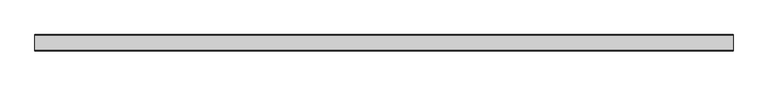
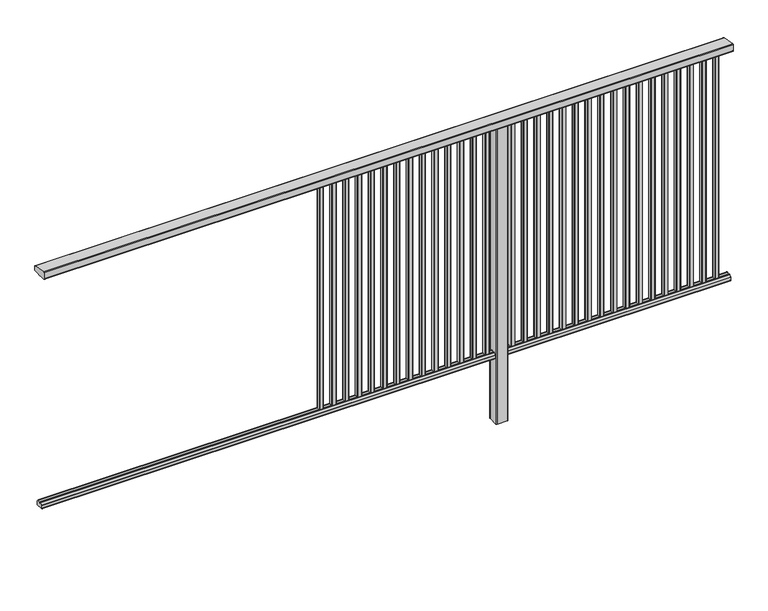
"""IFC4 building model written with IfcOpenShell, lengths in millimetres: railing geometry."""

import ifcopenshell
import ifcopenshell.guid

model = None  # the IFC model being written
_history = None  # IfcOwnerHistory: only IFC2X3 demands one
_inside = {}  # id of a spatial element -> (the spatial element, [elements in it])
_under = {}  # id of a project, library or spatial element -> (it, [spatial elements below it])
_declared = {}  # id of a project -> (the project, [libraries it declares])
_typed = {}  # id of a type object -> (the type object, [elements of that type])
_made_of = {}  # id of a material, layer set ... -> (it, [elements and type objects made of it])


def new_model(schema):
    """Start an empty IFC model of exactly this schema.

    Asked for "IFC4X3", IfcOpenShell would pick the latest addendum, in which some entities
    have other attributes; the version numbers below select the first issue.
    IFC2X3 requires an IfcOwnerHistory on every rooted entity: one is made here for all.
    """
    global model, _history
    if schema == "IFC4X3":
        model = ifcopenshell.file(schema_version=(4, 3, 0, 0))
    else:
        model = ifcopenshell.file(schema=schema)
    _inside.clear()
    _under.clear()
    _declared.clear()
    _typed.clear()
    _made_of.clear()
    _history = None
    if model.schema == "IFC2X3":
        org = make("IfcOrganization", Name="unknown")
        user = make(
            "IfcPersonAndOrganization",
            ThePerson=make("IfcPerson", FamilyName="unknown"),
            TheOrganization=org,
        )
        app = make(
            "IfcApplication",
            ApplicationDeveloper=org,
            Version="unknown",
            ApplicationFullName="unknown",
            ApplicationIdentifier="unknown",
        )
        _history = make(
            "IfcOwnerHistory",
            OwningUser=user,
            OwningApplication=app,
            ChangeAction="ADDED",
            CreationDate=0,
        )
    return model


def make(cls, **values):
    """One entity of the class cls with the attributes given. An attribute that is None is left unset."""
    return model.create_entity(
        cls, **{name: value for name, value in values.items() if value is not None}
    )


def rooted(cls, **values):
    """An entity with a GlobalId (a new one), such as an element, a storey or a relation."""
    return make(cls, GlobalId=ifcopenshell.guid.new(), OwnerHistory=_history, **values)


def si_unit(unit_type, name, prefix=None):
    """IfcSIUnit, for example si_unit("LENGTHUNIT", "METRE", prefix="MILLI")."""
    return make("IfcSIUnit", UnitType=unit_type, Prefix=prefix, Name=name)


def assignment(units):
    """IfcUnitAssignment: the units of a project."""
    return None if units is None else make("IfcUnitAssignment", Units=units)


def point(xyz):
    """IfcCartesianPoint."""
    return None if xyz is None else make("IfcCartesianPoint", Coordinates=xyz)


def direction(xyz):
    """IfcDirection."""
    return None if xyz is None else make("IfcDirection", DirectionRatios=xyz)


def frame(location, z_axis=None, x_axis=None):
    """IfcAxis2Placement3D, a coordinate frame: its origin and axes. An axis left out is left unset."""
    return make(
        "IfcAxis2Placement3D",
        Location=point(location),
        Axis=direction(z_axis),
        RefDirection=direction(x_axis),
    )


def frame_2d(location, x_axis=None):
    """IfcAxis2Placement2D, a coordinate frame in the plane: its origin and x axis."""
    return make(
        "IfcAxis2Placement2D", Location=point(location), RefDirection=direction(x_axis)
    )


def origin():
    """The frame at (0, 0, 0) with its axes left unset."""
    return frame((0.0, 0.0, 0.0))


def place(relative_to, where):
    """IfcLocalPlacement: puts the frame where relative to a parent placement (None: the world)."""
    return make(
        "IfcLocalPlacement", PlacementRelTo=relative_to, RelativePlacement=where
    )


def context(
    kind, dimensions, precision=None, world=None, true_north=None, identifier=None
):
    """IfcGeometricRepresentationContext, for example the 3D "Model" context."""
    return make(
        "IfcGeometricRepresentationContext",
        ContextIdentifier=identifier,
        ContextType=kind,
        CoordinateSpaceDimension=dimensions,
        Precision=precision,
        WorldCoordinateSystem=world,
        TrueNorth=true_north,
    )


def project(units=None, contexts=None):
    """IfcProject with its units and contexts."""
    return rooted(
        "IfcProject",
        Name="project",
        RepresentationContexts=contexts,
        UnitsInContext=assignment(units),
    )


def spatial(cls, under=None, at=None, **own):
    """A site, building, storey or space (cls), placed at a placement, below another one or the project."""
    s = rooted(cls, ObjectPlacement=at, **own)
    if under is not None:
        _under.setdefault(under.id(), (under, []))[1].append(s)
    return s


def polyline(points):
    """IfcPolyline through the points."""
    return make("IfcPolyline", Points=[point(p) for p in points])


def circle_curve(where, radius):
    """IfcCircle in the frame where."""
    return make("IfcCircle", Position=where, Radius=radius)


def trimmed(basis, trim1, trim2, sense, master):
    """IfcTrimmedCurve: the piece of a basis curve between two trims."""
    return make(
        "IfcTrimmedCurve",
        BasisCurve=basis,
        Trim1=trim1,
        Trim2=trim2,
        SenseAgreement=sense,
        MasterRepresentation=master,
    )


def segment(curve, same_sense, transition):
    """IfcCompositeCurveSegment."""
    return make(
        "IfcCompositeCurveSegment",
        Transition=transition,
        SameSense=same_sense,
        ParentCurve=curve,
    )


def composite_curve(segments, self_intersect=None):
    """IfcCompositeCurve: segments joined end to end."""
    return make("IfcCompositeCurve", Segments=segments, SelfIntersect=self_intersect)


def outline(outer, holes=None, kind="AREA"):
    """IfcArbitraryClosedProfileDef: a profile drawn as a closed curve; with holes, ...WithVoids."""
    if holes is None:
        return make("IfcArbitraryClosedProfileDef", ProfileType=kind, OuterCurve=outer)
    return make(
        "IfcArbitraryProfileDefWithVoids",
        ProfileType=kind,
        OuterCurve=outer,
        InnerCurves=holes,
    )


def extrude(swept, where, along, depth):
    """IfcExtrudedAreaSolid: the profile swept, set in the frame where, extruded along a direction by depth."""
    return make(
        "IfcExtrudedAreaSolid",
        SweptArea=swept,
        Position=where,
        ExtrudedDirection=direction(along),
        Depth=depth,
    )


def shape(context_of_items, identifier, shape_type, items):
    """IfcShapeRepresentation: the items that make up one representation, for example the "Body"."""
    return make(
        "IfcShapeRepresentation",
        ContextOfItems=context_of_items,
        RepresentationIdentifier=identifier,
        RepresentationType=shape_type,
        Items=items,
    )


def source(mapping_origin, context_of_items, identifier, shape_type, items):
    """IfcRepresentationMap: a shape defined once, which mapped items show again and again."""
    return make(
        "IfcRepresentationMap",
        MappingOrigin=mapping_origin,
        MappedRepresentation=shape(context_of_items, identifier, shape_type, items),
    )


def transform(
    local_origin,
    x_axis=None,
    y_axis=None,
    z_axis=None,
    scale=None,
    scale2=None,
    scale3=None,
    uniform=True,
):
    """IfcCartesianTransformationOperator3D, or its non-uniform kind. x_axis, y_axis, z_axis: its Axis1, 2, 3."""
    if uniform:
        return make(
            "IfcCartesianTransformationOperator3D",
            Axis1=direction(x_axis),
            Axis2=direction(y_axis),
            LocalOrigin=point(local_origin),
            Scale=scale,
            Axis3=direction(z_axis),
        )
    return make(
        "IfcCartesianTransformationOperator3DnonUniform",
        Axis1=direction(x_axis),
        Axis2=direction(y_axis),
        LocalOrigin=point(local_origin),
        Scale=scale,
        Axis3=direction(z_axis),
        Scale2=scale2,
        Scale3=scale3,
    )


def mapped(mapping_source, mapping_target):
    """IfcMappedItem: shows the shape of a source again, moved by a transform."""
    return make(
        "IfcMappedItem", MappingSource=mapping_source, MappingTarget=mapping_target
    )


def made_of(thing, what):
    """Note that an element or type object is made of a material, layer set ...; save() writes the relation."""
    if what is not None:
        _made_of.setdefault(what.id(), (what, []))[1].append(thing)
    return thing


def element(
    cls,
    number,
    at=None,
    inside=None,
    cuts=None,
    type_object=None,
    material=None,
    context=None,
    identifier="Body",
    shape_type=None,
    held_by="IfcProductDefinitionShape",
    body=None,
    shapes=None,
    **own,
):
    """One element of the class cls, such as IfcWall. Its Tag is "e" and its number.

    at: its placement. inside: the storey or other place that contains it. cuts: it is an
    opening in that element (IfcRelVoidsElement). A single representation is given by context,
    identifier, shape_type and body (its items); several are given by shapes. held_by: the class
    of the entity that holds the representations. save() writes the other relations.
    """
    e = rooted(cls, Tag="e%d" % number, ObjectPlacement=at, **own)
    if body is not None:
        shapes = [shape(context, identifier, shape_type, body)]
    if shapes is not None:
        e.Representation = make(held_by, Representations=shapes)
    if inside is not None:
        _inside.setdefault(inside.id(), (inside, []))[1].append(e)
    if cuts is not None:
        rooted(
            "IfcRelVoidsElement", RelatingBuildingElement=cuts, RelatedOpeningElement=e
        )
    if type_object is not None:
        _typed.setdefault(type_object.id(), (type_object, []))[1].append(e)
    return made_of(e, material)


def aggregate(whole, parts):
    """IfcRelAggregates: a whole, such as a stair, and the parts it consists of."""
    return rooted("IfcRelAggregates", RelatingObject=whole, RelatedObjects=parts)


def save(model, path):
    """Write the relations noted so far, then the file.

    IfcRelAggregates (storeys below a building ...), IfcRelContainedInSpatialStructure (elements
    in a storey), IfcRelDefinesByType, IfcRelAssociatesMaterial and IfcRelDeclares: one each for
    every whole, place, type object, material and project.
    """
    for whole, parts in _under.values():
        aggregate(whole, parts)
    for where, things in _inside.values():
        rooted(
            "IfcRelContainedInSpatialStructure",
            RelatedElements=things,
            RelatingStructure=where,
        )
    for kind, things in _typed.values():
        rooted("IfcRelDefinesByType", RelatedObjects=things, RelatingType=kind)
    for what, things in _made_of.values():
        rooted("IfcRelAssociatesMaterial", RelatedObjects=things, RelatingMaterial=what)
    for by, libraries in _declared.values():
        rooted("IfcRelDeclares", RelatingContext=by, RelatedDefinitions=libraries)
    model.write(path)


def railing_26462334(model_context):
    return source(origin(), model_context, "Body", "SweptSolid", [
        extrude(outline(composite_curve([segment(polyline([(8429.3630551, 1199.9544233), (8493.3630551, 1188.6694965)]), True, "CONTINUOUS"), segment(trimmed(circle_curve(frame_2d((8492.8421106, 1185.7150732)), 3.0), [point((8493.3630551, 1188.6694965))], [point((8495.8421106, 1185.7150732))], False, "CARTESIAN"), True, "CONTINUOUS"), segment(polyline([(8495.8421106, 1185.7150732), (8495.8421106, 1169.2)]), True, "CONTINUOUS"), segment(trimmed(circle_curve(frame_2d((8492.8421106, 1169.2)), 3.0), [point((8495.8421106, 1169.2))], [point((8492.8421106, 1166.2))], False, "CARTESIAN"), True, "CONTINUOUS"), segment(polyline([(8492.8421106, 1166.2), (8469.17694, 1166.2)]), True, "CONTINUOUS"), segment(trimmed(circle_curve(frame_2d((8460.8500931, 1183.2818957)), 19.003356), [point((8469.17694, 1166.2))], [point((8452.5232463, 1166.2))], False, "CARTESIAN"), True, "CONTINUOUS"), segment(polyline([(8452.5232463, 1166.2), (8428.8421106, 1166.2)]), True, "CONTINUOUS"), segment(trimmed(circle_curve(frame_2d((8428.8421106, 1169.2)), 3.0), [point((8428.8421106, 1166.2))], [point((8425.8421106, 1169.2))], False, "CARTESIAN"), True, "CONTINUOUS"), segment(polyline([(8425.8421106, 1169.2), (8425.8421106, 1197.0)]), True, "CONTINUOUS"), segment(trimmed(circle_curve(frame_2d((8428.8421106, 1197.0)), 3.0), [point((8425.8421106, 1197.0))], [point((8429.3630551, 1199.9544233))], False, "CARTESIAN"), True, "CONTINUOUS")], self_intersect=False)), frame((3711.3946925, 0.0, 0.0), z_axis=(1.0, 0.0, 0.0), x_axis=(0.0, 1.0, 0.0)), (0.0, 0.0, 1.0), 3000.0),
        extrude(outline(composite_curve([segment(polyline([(8476.5508136, 100.0), (8445.1507946, 100.0)]), True, "CONTINUOUS"), segment(trimmed(circle_curve(frame_2d((8445.1507946, 101.8)), 1.8), [point((8445.1507946, 100.0))], [point((8443.3507946, 101.8))], False, "CARTESIAN"), True, "CONTINUOUS"), segment(polyline([(8443.3507946, 101.8), (8443.3507946, 115.5269955)]), True, "CONTINUOUS"), segment(trimmed(circle_curve(frame_2d((8445.1507946, 115.5269955)), 1.8), [point((8443.3507946, 115.5269955))], [point((8443.7923399, 116.7079277))], False, "CARTESIAN"), True, "CONTINUOUS"), segment(polyline([(8443.7923399, 116.7079277), (8450.4626384, 124.3809322)]), True, "CONTINUOUS"), segment(trimmed(circle_curve(frame_2d((8451.8210931, 123.2)), 1.8), [point((8450.4626384, 124.3809322))], [point((8451.8210931, 125.0))], False, "CARTESIAN"), True, "CONTINUOUS"), segment(polyline([(8451.8210931, 125.0), (8455.5111113, 125.0), (8456.809143, 113.0), (8464.8924411, 113.0), (8466.1904978, 125.0), (8469.88054, 125.0)]), True, "CONTINUOUS"), segment(trimmed(circle_curve(frame_2d((8469.88054, 123.2)), 1.8), [point((8469.88054, 125.0))], [point((8471.2389969, 124.3809297))], False, "CARTESIAN"), True, "CONTINUOUS"), segment(polyline([(8471.2389969, 124.3809297), (8477.9092704, 116.7079252)]), True, "CONTINUOUS"), segment(trimmed(circle_curve(frame_2d((8476.5508136, 115.5269955)), 1.8), [point((8477.9092704, 116.7079252))], [point((8478.3508136, 115.5269955))], False, "CARTESIAN"), True, "CONTINUOUS"), segment(polyline([(8478.3508136, 115.5269955), (8478.3508136, 101.8)]), True, "CONTINUOUS"), segment(trimmed(circle_curve(frame_2d((8476.5508136, 101.8)), 1.8), [point((8478.3508136, 101.8))], [point((8476.5508136, 100.0))], False, "CARTESIAN"), True, "CONTINUOUS")], self_intersect=False)), frame((3711.3946925, 0.0, 0.0), z_axis=(1.0, 0.0, 0.0), x_axis=(0.0, 1.0, 0.0)), (0.0, 0.0, 1.0), 3000.0),
        extrude(outline(composite_curve([segment(trimmed(circle_curve(frame_2d((6648.2391355, 8468.4508236)), 1.4), [point((6646.8391355, 8468.4508236))], [point((6648.2391355, 8469.8508236))], False, "CARTESIAN"), True, "CONTINUOUS"), segment(polyline([(6648.2391355, 8469.8508236), (6663.4391385, 8469.8508236)]), True, "CONTINUOUS"), segment(trimmed(circle_curve(frame_2d((6663.4391385, 8468.4508236)), 1.4), [point((6663.4391385, 8469.8508236))], [point((6664.8391385, 8468.4508236))], False, "CARTESIAN"), True, "CONTINUOUS"), segment(polyline([(6664.8391385, 8468.4508236), (6664.8391385, 8453.2507846)]), True, "CONTINUOUS"), segment(trimmed(circle_curve(frame_2d((6663.4391385, 8453.2507846)), 1.4), [point((6664.8391385, 8453.2507846))], [point((6663.4391385, 8451.8507846))], False, "CARTESIAN"), True, "CONTINUOUS"), segment(polyline([(6663.4391385, 8451.8507846), (6648.2391355, 8451.8507846)]), True, "CONTINUOUS"), segment(trimmed(circle_curve(frame_2d((6648.2391355, 8453.2507846)), 1.4), [point((6648.2391355, 8451.8507846))], [point((6646.8391355, 8453.2507846))], False, "CARTESIAN"), True, "CONTINUOUS"), segment(polyline([(6646.8391355, 8453.2507846), (6646.8391355, 8468.4508236)]), True, "CONTINUOUS")], self_intersect=False)), frame((0.0, 0.0, 125.0), z_axis=(0.0, 0.0, 1.0), x_axis=(1.0, 0.0, 0.0)), (0.0, 0.0, 1.0), 1039.2785397),
        extrude(outline(composite_curve([segment(trimmed(circle_curve(frame_2d((6592.6835799, 8468.4508236)), 1.4), [point((6591.2835799, 8468.4508236))], [point((6592.6835799, 8469.8508236))], False, "CARTESIAN"), True, "CONTINUOUS"), segment(polyline([(6592.6835799, 8469.8508236), (6607.8835829, 8469.8508236)]), True, "CONTINUOUS"), segment(trimmed(circle_curve(frame_2d((6607.8835829, 8468.4508236)), 1.4), [point((6607.8835829, 8469.8508236))], [point((6609.2835829, 8468.4508236))], False, "CARTESIAN"), True, "CONTINUOUS"), segment(polyline([(6609.2835829, 8468.4508236), (6609.2835829, 8453.2507846)]), True, "CONTINUOUS"), segment(trimmed(circle_curve(frame_2d((6607.8835829, 8453.2507846)), 1.4), [point((6609.2835829, 8453.2507846))], [point((6607.8835829, 8451.8507846))], False, "CARTESIAN"), True, "CONTINUOUS"), segment(polyline([(6607.8835829, 8451.8507846), (6592.6835799, 8451.8507846)]), True, "CONTINUOUS"), segment(trimmed(circle_curve(frame_2d((6592.6835799, 8453.2507846)), 1.4), [point((6592.6835799, 8451.8507846))], [point((6591.2835799, 8453.2507846))], False, "CARTESIAN"), True, "CONTINUOUS"), segment(polyline([(6591.2835799, 8453.2507846), (6591.2835799, 8468.4508236)]), True, "CONTINUOUS")], self_intersect=False)), frame((0.0, 0.0, 125.0), z_axis=(0.0, 0.0, 1.0), x_axis=(1.0, 0.0, 0.0)), (0.0, 0.0, 1.0), 1039.2785397),
        extrude(outline(composite_curve([segment(trimmed(circle_curve(frame_2d((6537.1280244, 8468.4508236)), 1.4), [point((6535.7280244, 8468.4508236))], [point((6537.1280244, 8469.8508236))], False, "CARTESIAN"), True, "CONTINUOUS"), segment(polyline([(6537.1280244, 8469.8508236), (6552.3280274, 8469.8508236)]), True, "CONTINUOUS"), segment(trimmed(circle_curve(frame_2d((6552.3280274, 8468.4508236)), 1.4), [point((6552.3280274, 8469.8508236))], [point((6553.7280274, 8468.4508236))], False, "CARTESIAN"), True, "CONTINUOUS"), segment(polyline([(6553.7280274, 8468.4508236), (6553.7280274, 8453.2507846)]), True, "CONTINUOUS"), segment(trimmed(circle_curve(frame_2d((6552.3280274, 8453.2507846)), 1.4), [point((6553.7280274, 8453.2507846))], [point((6552.3280274, 8451.8507846))], False, "CARTESIAN"), True, "CONTINUOUS"), segment(polyline([(6552.3280274, 8451.8507846), (6537.1280244, 8451.8507846)]), True, "CONTINUOUS"), segment(trimmed(circle_curve(frame_2d((6537.1280244, 8453.2507846)), 1.4), [point((6537.1280244, 8451.8507846))], [point((6535.7280244, 8453.2507846))], False, "CARTESIAN"), True, "CONTINUOUS"), segment(polyline([(6535.7280244, 8453.2507846), (6535.7280244, 8468.4508236)]), True, "CONTINUOUS")], self_intersect=False)), frame((0.0, 0.0, 125.0), z_axis=(0.0, 0.0, 1.0), x_axis=(1.0, 0.0, 0.0)), (0.0, 0.0, 1.0), 1039.2785397),
        extrude(outline(composite_curve([segment(trimmed(circle_curve(frame_2d((6481.5724688, 8468.4508236)), 1.4), [point((6480.1724688, 8468.4508236))], [point((6481.5724688, 8469.8508236))], False, "CARTESIAN"), True, "CONTINUOUS"), segment(polyline([(6481.5724688, 8469.8508236), (6496.7724718, 8469.8508236)]), True, "CONTINUOUS"), segment(trimmed(circle_curve(frame_2d((6496.7724718, 8468.4508236)), 1.4), [point((6496.7724718, 8469.8508236))], [point((6498.1724718, 8468.4508236))], False, "CARTESIAN"), True, "CONTINUOUS"), segment(polyline([(6498.1724718, 8468.4508236), (6498.1724718, 8453.2507846)]), True, "CONTINUOUS"), segment(trimmed(circle_curve(frame_2d((6496.7724718, 8453.2507846)), 1.4), [point((6498.1724718, 8453.2507846))], [point((6496.7724718, 8451.8507846))], False, "CARTESIAN"), True, "CONTINUOUS"), segment(polyline([(6496.7724718, 8451.8507846), (6481.5724688, 8451.8507846)]), True, "CONTINUOUS"), segment(trimmed(circle_curve(frame_2d((6481.5724688, 8453.2507846)), 1.4), [point((6481.5724688, 8451.8507846))], [point((6480.1724688, 8453.2507846))], False, "CARTESIAN"), True, "CONTINUOUS"), segment(polyline([(6480.1724688, 8453.2507846), (6480.1724688, 8468.4508236)]), True, "CONTINUOUS")], self_intersect=False)), frame((0.0, 0.0, 125.0), z_axis=(0.0, 0.0, 1.0), x_axis=(1.0, 0.0, 0.0)), (0.0, 0.0, 1.0), 1039.2785397),
        extrude(outline(composite_curve([segment(trimmed(circle_curve(frame_2d((6426.0169133, 8468.4508236)), 1.4), [point((6424.6169133, 8468.4508236))], [point((6426.0169133, 8469.8508236))], False, "CARTESIAN"), True, "CONTINUOUS"), segment(polyline([(6426.0169133, 8469.8508236), (6441.2169163, 8469.8508236)]), True, "CONTINUOUS"), segment(trimmed(circle_curve(frame_2d((6441.2169163, 8468.4508236)), 1.4), [point((6441.2169163, 8469.8508236))], [point((6442.6169163, 8468.4508236))], False, "CARTESIAN"), True, "CONTINUOUS"), segment(polyline([(6442.6169163, 8468.4508236), (6442.6169163, 8453.2507846)]), True, "CONTINUOUS"), segment(trimmed(circle_curve(frame_2d((6441.2169163, 8453.2507846)), 1.4), [point((6442.6169163, 8453.2507846))], [point((6441.2169163, 8451.8507846))], False, "CARTESIAN"), True, "CONTINUOUS"), segment(polyline([(6441.2169163, 8451.8507846), (6426.0169133, 8451.8507846)]), True, "CONTINUOUS"), segment(trimmed(circle_curve(frame_2d((6426.0169133, 8453.2507846)), 1.4), [point((6426.0169133, 8451.8507846))], [point((6424.6169133, 8453.2507846))], False, "CARTESIAN"), True, "CONTINUOUS"), segment(polyline([(6424.6169133, 8453.2507846), (6424.6169133, 8468.4508236)]), True, "CONTINUOUS")], self_intersect=False)), frame((0.0, 0.0, 125.0), z_axis=(0.0, 0.0, 1.0), x_axis=(1.0, 0.0, 0.0)), (0.0, 0.0, 1.0), 1039.2785397),
        extrude(outline(composite_curve([segment(trimmed(circle_curve(frame_2d((6370.4613577, 8468.4508236)), 1.4), [point((6369.0613577, 8468.4508236))], [point((6370.4613577, 8469.8508236))], False, "CARTESIAN"), True, "CONTINUOUS"), segment(polyline([(6370.4613577, 8469.8508236), (6385.6613607, 8469.8508236)]), True, "CONTINUOUS"), segment(trimmed(circle_curve(frame_2d((6385.6613607, 8468.4508236)), 1.4), [point((6385.6613607, 8469.8508236))], [point((6387.0613607, 8468.4508236))], False, "CARTESIAN"), True, "CONTINUOUS"), segment(polyline([(6387.0613607, 8468.4508236), (6387.0613607, 8453.2507846)]), True, "CONTINUOUS"), segment(trimmed(circle_curve(frame_2d((6385.6613607, 8453.2507846)), 1.4), [point((6387.0613607, 8453.2507846))], [point((6385.6613607, 8451.8507846))], False, "CARTESIAN"), True, "CONTINUOUS"), segment(polyline([(6385.6613607, 8451.8507846), (6370.4613577, 8451.8507846)]), True, "CONTINUOUS"), segment(trimmed(circle_curve(frame_2d((6370.4613577, 8453.2507846)), 1.4), [point((6370.4613577, 8451.8507846))], [point((6369.0613577, 8453.2507846))], False, "CARTESIAN"), True, "CONTINUOUS"), segment(polyline([(6369.0613577, 8453.2507846), (6369.0613577, 8468.4508236)]), True, "CONTINUOUS")], self_intersect=False)), frame((0.0, 0.0, 125.0), z_axis=(0.0, 0.0, 1.0), x_axis=(1.0, 0.0, 0.0)), (0.0, 0.0, 1.0), 1039.2785397),
        extrude(outline(composite_curve([segment(trimmed(circle_curve(frame_2d((6314.9058021, 8468.4508236)), 1.4), [point((6313.5058021, 8468.4508236))], [point((6314.9058021, 8469.8508236))], False, "CARTESIAN"), True, "CONTINUOUS"), segment(polyline([(6314.9058021, 8469.8508236), (6330.1058051, 8469.8508236)]), True, "CONTINUOUS"), segment(trimmed(circle_curve(frame_2d((6330.1058051, 8468.4508236)), 1.4), [point((6330.1058051, 8469.8508236))], [point((6331.5058051, 8468.4508236))], False, "CARTESIAN"), True, "CONTINUOUS"), segment(polyline([(6331.5058051, 8468.4508236), (6331.5058051, 8453.2507846)]), True, "CONTINUOUS"), segment(trimmed(circle_curve(frame_2d((6330.1058051, 8453.2507846)), 1.4), [point((6331.5058051, 8453.2507846))], [point((6330.1058051, 8451.8507846))], False, "CARTESIAN"), True, "CONTINUOUS"), segment(polyline([(6330.1058051, 8451.8507846), (6314.9058021, 8451.8507846)]), True, "CONTINUOUS"), segment(trimmed(circle_curve(frame_2d((6314.9058021, 8453.2507846)), 1.4), [point((6314.9058021, 8451.8507846))], [point((6313.5058021, 8453.2507846))], False, "CARTESIAN"), True, "CONTINUOUS"), segment(polyline([(6313.5058021, 8453.2507846), (6313.5058021, 8468.4508236)]), True, "CONTINUOUS")], self_intersect=False)), frame((0.0, 0.0, 125.0), z_axis=(0.0, 0.0, 1.0), x_axis=(1.0, 0.0, 0.0)), (0.0, 0.0, 1.0), 1039.2785397),
        extrude(outline(composite_curve([segment(trimmed(circle_curve(frame_2d((6259.3502466, 8468.4508236)), 1.4), [point((6257.9502466, 8468.4508236))], [point((6259.3502466, 8469.8508236))], False, "CARTESIAN"), True, "CONTINUOUS"), segment(polyline([(6259.3502466, 8469.8508236), (6274.5502496, 8469.8508236)]), True, "CONTINUOUS"), segment(trimmed(circle_curve(frame_2d((6274.5502496, 8468.4508236)), 1.4), [point((6274.5502496, 8469.8508236))], [point((6275.9502496, 8468.4508236))], False, "CARTESIAN"), True, "CONTINUOUS"), segment(polyline([(6275.9502496, 8468.4508236), (6275.9502496, 8453.2507846)]), True, "CONTINUOUS"), segment(trimmed(circle_curve(frame_2d((6274.5502496, 8453.2507846)), 1.4), [point((6275.9502496, 8453.2507846))], [point((6274.5502496, 8451.8507846))], False, "CARTESIAN"), True, "CONTINUOUS"), segment(polyline([(6274.5502496, 8451.8507846), (6259.3502466, 8451.8507846)]), True, "CONTINUOUS"), segment(trimmed(circle_curve(frame_2d((6259.3502466, 8453.2507846)), 1.4), [point((6259.3502466, 8451.8507846))], [point((6257.9502466, 8453.2507846))], False, "CARTESIAN"), True, "CONTINUOUS"), segment(polyline([(6257.9502466, 8453.2507846), (6257.9502466, 8468.4508236)]), True, "CONTINUOUS")], self_intersect=False)), frame((0.0, 0.0, 125.0), z_axis=(0.0, 0.0, 1.0), x_axis=(1.0, 0.0, 0.0)), (0.0, 0.0, 1.0), 1039.2785397),
        extrude(outline(composite_curve([segment(trimmed(circle_curve(frame_2d((6203.794691, 8468.4508236)), 1.4), [point((6202.394691, 8468.4508236))], [point((6203.794691, 8469.8508236))], False, "CARTESIAN"), True, "CONTINUOUS"), segment(polyline([(6203.794691, 8469.8508236), (6218.994694, 8469.8508236)]), True, "CONTINUOUS"), segment(trimmed(circle_curve(frame_2d((6218.994694, 8468.4508236)), 1.4), [point((6218.994694, 8469.8508236))], [point((6220.394694, 8468.4508236))], False, "CARTESIAN"), True, "CONTINUOUS"), segment(polyline([(6220.394694, 8468.4508236), (6220.394694, 8453.2507846)]), True, "CONTINUOUS"), segment(trimmed(circle_curve(frame_2d((6218.994694, 8453.2507846)), 1.4), [point((6220.394694, 8453.2507846))], [point((6218.994694, 8451.8507846))], False, "CARTESIAN"), True, "CONTINUOUS"), segment(polyline([(6218.994694, 8451.8507846), (6203.794691, 8451.8507846)]), True, "CONTINUOUS"), segment(trimmed(circle_curve(frame_2d((6203.794691, 8453.2507846)), 1.4), [point((6203.794691, 8451.8507846))], [point((6202.394691, 8453.2507846))], False, "CARTESIAN"), True, "CONTINUOUS"), segment(polyline([(6202.394691, 8453.2507846), (6202.394691, 8468.4508236)]), True, "CONTINUOUS")], self_intersect=False)), frame((0.0, 0.0, 125.0), z_axis=(0.0, 0.0, 1.0), x_axis=(1.0, 0.0, 0.0)), (0.0, 0.0, 1.0), 1039.2785397),
        extrude(outline(composite_curve([segment(trimmed(circle_curve(frame_2d((6148.2391355, 8468.4508236)), 1.4), [point((6146.8391355, 8468.4508236))], [point((6148.2391355, 8469.8508236))], False, "CARTESIAN"), True, "CONTINUOUS"), segment(polyline([(6148.2391355, 8469.8508236), (6163.4391385, 8469.8508236)]), True, "CONTINUOUS"), segment(trimmed(circle_curve(frame_2d((6163.4391385, 8468.4508236)), 1.4), [point((6163.4391385, 8469.8508236))], [point((6164.8391385, 8468.4508236))], False, "CARTESIAN"), True, "CONTINUOUS"), segment(polyline([(6164.8391385, 8468.4508236), (6164.8391385, 8453.2507846)]), True, "CONTINUOUS"), segment(trimmed(circle_curve(frame_2d((6163.4391385, 8453.2507846)), 1.4), [point((6164.8391385, 8453.2507846))], [point((6163.4391385, 8451.8507846))], False, "CARTESIAN"), True, "CONTINUOUS"), segment(polyline([(6163.4391385, 8451.8507846), (6148.2391355, 8451.8507846)]), True, "CONTINUOUS"), segment(trimmed(circle_curve(frame_2d((6148.2391355, 8453.2507846)), 1.4), [point((6148.2391355, 8451.8507846))], [point((6146.8391355, 8453.2507846))], False, "CARTESIAN"), True, "CONTINUOUS"), segment(polyline([(6146.8391355, 8453.2507846), (6146.8391355, 8468.4508236)]), True, "CONTINUOUS")], self_intersect=False)), frame((0.0, 0.0, 125.0), z_axis=(0.0, 0.0, 1.0), x_axis=(1.0, 0.0, 0.0)), (0.0, 0.0, 1.0), 1039.2785397),
        extrude(outline(composite_curve([segment(trimmed(circle_curve(frame_2d((6092.6835799, 8468.4508236)), 1.4), [point((6091.2835799, 8468.4508236))], [point((6092.6835799, 8469.8508236))], False, "CARTESIAN"), True, "CONTINUOUS"), segment(polyline([(6092.6835799, 8469.8508236), (6107.8835829, 8469.8508236)]), True, "CONTINUOUS"), segment(trimmed(circle_curve(frame_2d((6107.8835829, 8468.4508236)), 1.4), [point((6107.8835829, 8469.8508236))], [point((6109.2835829, 8468.4508236))], False, "CARTESIAN"), True, "CONTINUOUS"), segment(polyline([(6109.2835829, 8468.4508236), (6109.2835829, 8453.2507846)]), True, "CONTINUOUS"), segment(trimmed(circle_curve(frame_2d((6107.8835829, 8453.2507846)), 1.4), [point((6109.2835829, 8453.2507846))], [point((6107.8835829, 8451.8507846))], False, "CARTESIAN"), True, "CONTINUOUS"), segment(polyline([(6107.8835829, 8451.8507846), (6092.6835799, 8451.8507846)]), True, "CONTINUOUS"), segment(trimmed(circle_curve(frame_2d((6092.6835799, 8453.2507846)), 1.4), [point((6092.6835799, 8451.8507846))], [point((6091.2835799, 8453.2507846))], False, "CARTESIAN"), True, "CONTINUOUS"), segment(polyline([(6091.2835799, 8453.2507846), (6091.2835799, 8468.4508236)]), True, "CONTINUOUS")], self_intersect=False)), frame((0.0, 0.0, 125.0), z_axis=(0.0, 0.0, 1.0), x_axis=(1.0, 0.0, 0.0)), (0.0, 0.0, 1.0), 1039.2785397),
        extrude(outline(composite_curve([segment(trimmed(circle_curve(frame_2d((6037.1280244, 8468.4508236)), 1.4), [point((6035.7280244, 8468.4508236))], [point((6037.1280244, 8469.8508236))], False, "CARTESIAN"), True, "CONTINUOUS"), segment(polyline([(6037.1280244, 8469.8508236), (6052.3280274, 8469.8508236)]), True, "CONTINUOUS"), segment(trimmed(circle_curve(frame_2d((6052.3280274, 8468.4508236)), 1.4), [point((6052.3280274, 8469.8508236))], [point((6053.7280274, 8468.4508236))], False, "CARTESIAN"), True, "CONTINUOUS"), segment(polyline([(6053.7280274, 8468.4508236), (6053.7280274, 8453.2507846)]), True, "CONTINUOUS"), segment(trimmed(circle_curve(frame_2d((6052.3280274, 8453.2507846)), 1.4), [point((6053.7280274, 8453.2507846))], [point((6052.3280274, 8451.8507846))], False, "CARTESIAN"), True, "CONTINUOUS"), segment(polyline([(6052.3280274, 8451.8507846), (6037.1280244, 8451.8507846)]), True, "CONTINUOUS"), segment(trimmed(circle_curve(frame_2d((6037.1280244, 8453.2507846)), 1.4), [point((6037.1280244, 8451.8507846))], [point((6035.7280244, 8453.2507846))], False, "CARTESIAN"), True, "CONTINUOUS"), segment(polyline([(6035.7280244, 8453.2507846), (6035.7280244, 8468.4508236)]), True, "CONTINUOUS")], self_intersect=False)), frame((0.0, 0.0, 125.0), z_axis=(0.0, 0.0, 1.0), x_axis=(1.0, 0.0, 0.0)), (0.0, 0.0, 1.0), 1039.2785397),
        extrude(outline(composite_curve([segment(trimmed(circle_curve(frame_2d((5981.5724688, 8468.4508236)), 1.4), [point((5980.1724688, 8468.4508236))], [point((5981.5724688, 8469.8508236))], False, "CARTESIAN"), True, "CONTINUOUS"), segment(polyline([(5981.5724688, 8469.8508236), (5996.7724718, 8469.8508236)]), True, "CONTINUOUS"), segment(trimmed(circle_curve(frame_2d((5996.7724718, 8468.4508236)), 1.4), [point((5996.7724718, 8469.8508236))], [point((5998.1724718, 8468.4508236))], False, "CARTESIAN"), True, "CONTINUOUS"), segment(polyline([(5998.1724718, 8468.4508236), (5998.1724718, 8453.2507846)]), True, "CONTINUOUS"), segment(trimmed(circle_curve(frame_2d((5996.7724718, 8453.2507846)), 1.4), [point((5998.1724718, 8453.2507846))], [point((5996.7724718, 8451.8507846))], False, "CARTESIAN"), True, "CONTINUOUS"), segment(polyline([(5996.7724718, 8451.8507846), (5981.5724688, 8451.8507846)]), True, "CONTINUOUS"), segment(trimmed(circle_curve(frame_2d((5981.5724688, 8453.2507846)), 1.4), [point((5981.5724688, 8451.8507846))], [point((5980.1724688, 8453.2507846))], False, "CARTESIAN"), True, "CONTINUOUS"), segment(polyline([(5980.1724688, 8453.2507846), (5980.1724688, 8468.4508236)]), True, "CONTINUOUS")], self_intersect=False)), frame((0.0, 0.0, 125.0), z_axis=(0.0, 0.0, 1.0), x_axis=(1.0, 0.0, 0.0)), (0.0, 0.0, 1.0), 1039.2785397),
        extrude(outline(composite_curve([segment(trimmed(circle_curve(frame_2d((5926.0169133, 8468.4508236)), 1.4), [point((5924.6169133, 8468.4508236))], [point((5926.0169133, 8469.8508236))], False, "CARTESIAN"), True, "CONTINUOUS"), segment(polyline([(5926.0169133, 8469.8508236), (5941.2169163, 8469.8508236)]), True, "CONTINUOUS"), segment(trimmed(circle_curve(frame_2d((5941.2169163, 8468.4508236)), 1.4), [point((5941.2169163, 8469.8508236))], [point((5942.6169163, 8468.4508236))], False, "CARTESIAN"), True, "CONTINUOUS"), segment(polyline([(5942.6169163, 8468.4508236), (5942.6169163, 8453.2507846)]), True, "CONTINUOUS"), segment(trimmed(circle_curve(frame_2d((5941.2169163, 8453.2507846)), 1.4), [point((5942.6169163, 8453.2507846))], [point((5941.2169163, 8451.8507846))], False, "CARTESIAN"), True, "CONTINUOUS"), segment(polyline([(5941.2169163, 8451.8507846), (5926.0169133, 8451.8507846)]), True, "CONTINUOUS"), segment(trimmed(circle_curve(frame_2d((5926.0169133, 8453.2507846)), 1.4), [point((5926.0169133, 8451.8507846))], [point((5924.6169133, 8453.2507846))], False, "CARTESIAN"), True, "CONTINUOUS"), segment(polyline([(5924.6169133, 8453.2507846), (5924.6169133, 8468.4508236)]), True, "CONTINUOUS")], self_intersect=False)), frame((0.0, 0.0, 125.0), z_axis=(0.0, 0.0, 1.0), x_axis=(1.0, 0.0, 0.0)), (0.0, 0.0, 1.0), 1039.2785397),
        extrude(outline(composite_curve([segment(trimmed(circle_curve(frame_2d((5870.4613577, 8468.4508236)), 1.4), [point((5869.0613577, 8468.4508236))], [point((5870.4613577, 8469.8508236))], False, "CARTESIAN"), True, "CONTINUOUS"), segment(polyline([(5870.4613577, 8469.8508236), (5885.6613607, 8469.8508236)]), True, "CONTINUOUS"), segment(trimmed(circle_curve(frame_2d((5885.6613607, 8468.4508236)), 1.4), [point((5885.6613607, 8469.8508236))], [point((5887.0613607, 8468.4508236))], False, "CARTESIAN"), True, "CONTINUOUS"), segment(polyline([(5887.0613607, 8468.4508236), (5887.0613607, 8453.2507846)]), True, "CONTINUOUS"), segment(trimmed(circle_curve(frame_2d((5885.6613607, 8453.2507846)), 1.4), [point((5887.0613607, 8453.2507846))], [point((5885.6613607, 8451.8507846))], False, "CARTESIAN"), True, "CONTINUOUS"), segment(polyline([(5885.6613607, 8451.8507846), (5870.4613577, 8451.8507846)]), True, "CONTINUOUS"), segment(trimmed(circle_curve(frame_2d((5870.4613577, 8453.2507846)), 1.4), [point((5870.4613577, 8451.8507846))], [point((5869.0613577, 8453.2507846))], False, "CARTESIAN"), True, "CONTINUOUS"), segment(polyline([(5869.0613577, 8453.2507846), (5869.0613577, 8468.4508236)]), True, "CONTINUOUS")], self_intersect=False)), frame((0.0, 0.0, 125.0), z_axis=(0.0, 0.0, 1.0), x_axis=(1.0, 0.0, 0.0)), (0.0, 0.0, 1.0), 1039.2785397),
        extrude(outline(composite_curve([segment(trimmed(circle_curve(frame_2d((5814.9058021, 8468.4508236)), 1.4), [point((5813.5058021, 8468.4508236))], [point((5814.9058021, 8469.8508236))], False, "CARTESIAN"), True, "CONTINUOUS"), segment(polyline([(5814.9058021, 8469.8508236), (5830.1058051, 8469.8508236)]), True, "CONTINUOUS"), segment(trimmed(circle_curve(frame_2d((5830.1058051, 8468.4508236)), 1.4), [point((5830.1058051, 8469.8508236))], [point((5831.5058051, 8468.4508236))], False, "CARTESIAN"), True, "CONTINUOUS"), segment(polyline([(5831.5058051, 8468.4508236), (5831.5058051, 8453.2507846)]), True, "CONTINUOUS"), segment(trimmed(circle_curve(frame_2d((5830.1058051, 8453.2507846)), 1.4), [point((5831.5058051, 8453.2507846))], [point((5830.1058051, 8451.8507846))], False, "CARTESIAN"), True, "CONTINUOUS"), segment(polyline([(5830.1058051, 8451.8507846), (5814.9058021, 8451.8507846)]), True, "CONTINUOUS"), segment(trimmed(circle_curve(frame_2d((5814.9058021, 8453.2507846)), 1.4), [point((5814.9058021, 8451.8507846))], [point((5813.5058021, 8453.2507846))], False, "CARTESIAN"), True, "CONTINUOUS"), segment(polyline([(5813.5058021, 8453.2507846), (5813.5058021, 8468.4508236)]), True, "CONTINUOUS")], self_intersect=False)), frame((0.0, 0.0, 125.0), z_axis=(0.0, 0.0, 1.0), x_axis=(1.0, 0.0, 0.0)), (0.0, 0.0, 1.0), 1039.2785397),
        extrude(outline(composite_curve([segment(trimmed(circle_curve(frame_2d((5759.3502466, 8468.4508236)), 1.4), [point((5757.9502466, 8468.4508236))], [point((5759.3502466, 8469.8508236))], False, "CARTESIAN"), True, "CONTINUOUS"), segment(polyline([(5759.3502466, 8469.8508236), (5774.5502496, 8469.8508236)]), True, "CONTINUOUS"), segment(trimmed(circle_curve(frame_2d((5774.5502496, 8468.4508236)), 1.4), [point((5774.5502496, 8469.8508236))], [point((5775.9502496, 8468.4508236))], False, "CARTESIAN"), True, "CONTINUOUS"), segment(polyline([(5775.9502496, 8468.4508236), (5775.9502496, 8453.2507846)]), True, "CONTINUOUS"), segment(trimmed(circle_curve(frame_2d((5774.5502496, 8453.2507846)), 1.4), [point((5775.9502496, 8453.2507846))], [point((5774.5502496, 8451.8507846))], False, "CARTESIAN"), True, "CONTINUOUS"), segment(polyline([(5774.5502496, 8451.8507846), (5759.3502466, 8451.8507846)]), True, "CONTINUOUS"), segment(trimmed(circle_curve(frame_2d((5759.3502466, 8453.2507846)), 1.4), [point((5759.3502466, 8451.8507846))], [point((5757.9502466, 8453.2507846))], False, "CARTESIAN"), True, "CONTINUOUS"), segment(polyline([(5757.9502466, 8453.2507846), (5757.9502466, 8468.4508236)]), True, "CONTINUOUS")], self_intersect=False)), frame((0.0, 0.0, 125.0), z_axis=(0.0, 0.0, 1.0), x_axis=(1.0, 0.0, 0.0)), (0.0, 0.0, 1.0), 1039.2785397),
        extrude(outline(composite_curve([segment(trimmed(circle_curve(frame_2d((5733.7947043, 8483.2508153)), 3.0), [point((5733.794704, 8486.2508153))], [point((5736.7947043, 8483.2508156))], False, "CARTESIAN"), True, "CONTINUOUS"), segment(polyline([(5736.7947043, 8483.2508156), (5736.7947083, 8438.4507926)]), True, "CONTINUOUS"), segment(trimmed(circle_curve(frame_2d((5733.7947083, 8438.4507923)), 3.0), [point((5736.7947083, 8438.4507926))], [point((5733.7947086, 8435.4507923))], False, "CARTESIAN"), True, "CONTINUOUS"), segment(polyline([(5733.7947086, 8435.4507923), (5688.9946856, 8435.4507883)]), True, "CONTINUOUS"), segment(trimmed(circle_curve(frame_2d((5688.9946853, 8438.4507883)), 3.0), [point((5688.9946856, 8435.4507883))], [point((5685.9946853, 8438.450788))], False, "CARTESIAN"), True, "CONTINUOUS"), segment(polyline([(5685.9946853, 8438.450788), (5685.9946813, 8483.250811)]), True, "CONTINUOUS"), segment(trimmed(circle_curve(frame_2d((5688.9946813, 8483.2508113)), 3.0), [point((5685.9946813, 8483.250811))], [point((5688.994681, 8486.2508113))], False, "CARTESIAN"), True, "CONTINUOUS"), segment(polyline([(5688.994681, 8486.2508113), (5733.794704, 8486.2508153)]), True, "CONTINUOUS")], self_intersect=False)), frame((0.0, 0.0, -198.0), z_axis=(0.0, 0.0, 1.0), x_axis=(1.0, 0.0, 0.0)), (0.0, 0.0, 1.0), 1362.2785397),
        extrude(outline(composite_curve([segment(trimmed(circle_curve(frame_2d((5648.2391355, 8468.4508236)), 1.4), [point((5646.8391355, 8468.4508236))], [point((5648.2391355, 8469.8508236))], False, "CARTESIAN"), True, "CONTINUOUS"), segment(polyline([(5648.2391355, 8469.8508236), (5663.4391385, 8469.8508236)]), True, "CONTINUOUS"), segment(trimmed(circle_curve(frame_2d((5663.4391385, 8468.4508236)), 1.4), [point((5663.4391385, 8469.8508236))], [point((5664.8391385, 8468.4508236))], False, "CARTESIAN"), True, "CONTINUOUS"), segment(polyline([(5664.8391385, 8468.4508236), (5664.8391385, 8453.2507846)]), True, "CONTINUOUS"), segment(trimmed(circle_curve(frame_2d((5663.4391385, 8453.2507846)), 1.4), [point((5664.8391385, 8453.2507846))], [point((5663.4391385, 8451.8507846))], False, "CARTESIAN"), True, "CONTINUOUS"), segment(polyline([(5663.4391385, 8451.8507846), (5648.2391355, 8451.8507846)]), True, "CONTINUOUS"), segment(trimmed(circle_curve(frame_2d((5648.2391355, 8453.2507846)), 1.4), [point((5648.2391355, 8451.8507846))], [point((5646.8391355, 8453.2507846))], False, "CARTESIAN"), True, "CONTINUOUS"), segment(polyline([(5646.8391355, 8453.2507846), (5646.8391355, 8468.4508236)]), True, "CONTINUOUS")], self_intersect=False)), frame((0.0, 0.0, 125.0), z_axis=(0.0, 0.0, 1.0), x_axis=(1.0, 0.0, 0.0)), (0.0, 0.0, 1.0), 1039.2785397),
        extrude(outline(composite_curve([segment(trimmed(circle_curve(frame_2d((5592.6835799, 8468.4508236)), 1.4), [point((5591.2835799, 8468.4508236))], [point((5592.6835799, 8469.8508236))], False, "CARTESIAN"), True, "CONTINUOUS"), segment(polyline([(5592.6835799, 8469.8508236), (5607.8835829, 8469.8508236)]), True, "CONTINUOUS"), segment(trimmed(circle_curve(frame_2d((5607.8835829, 8468.4508236)), 1.4), [point((5607.8835829, 8469.8508236))], [point((5609.2835829, 8468.4508236))], False, "CARTESIAN"), True, "CONTINUOUS"), segment(polyline([(5609.2835829, 8468.4508236), (5609.2835829, 8453.2507846)]), True, "CONTINUOUS"), segment(trimmed(circle_curve(frame_2d((5607.8835829, 8453.2507846)), 1.4), [point((5609.2835829, 8453.2507846))], [point((5607.8835829, 8451.8507846))], False, "CARTESIAN"), True, "CONTINUOUS"), segment(polyline([(5607.8835829, 8451.8507846), (5592.6835799, 8451.8507846)]), True, "CONTINUOUS"), segment(trimmed(circle_curve(frame_2d((5592.6835799, 8453.2507846)), 1.4), [point((5592.6835799, 8451.8507846))], [point((5591.2835799, 8453.2507846))], False, "CARTESIAN"), True, "CONTINUOUS"), segment(polyline([(5591.2835799, 8453.2507846), (5591.2835799, 8468.4508236)]), True, "CONTINUOUS")], self_intersect=False)), frame((0.0, 0.0, 125.0), z_axis=(0.0, 0.0, 1.0), x_axis=(1.0, 0.0, 0.0)), (0.0, 0.0, 1.0), 1039.2785397),
        extrude(outline(composite_curve([segment(trimmed(circle_curve(frame_2d((5537.1280244, 8468.4508236)), 1.4), [point((5535.7280244, 8468.4508236))], [point((5537.1280244, 8469.8508236))], False, "CARTESIAN"), True, "CONTINUOUS"), segment(polyline([(5537.1280244, 8469.8508236), (5552.3280274, 8469.8508236)]), True, "CONTINUOUS"), segment(trimmed(circle_curve(frame_2d((5552.3280274, 8468.4508236)), 1.4), [point((5552.3280274, 8469.8508236))], [point((5553.7280274, 8468.4508236))], False, "CARTESIAN"), True, "CONTINUOUS"), segment(polyline([(5553.7280274, 8468.4508236), (5553.7280274, 8453.2507846)]), True, "CONTINUOUS"), segment(trimmed(circle_curve(frame_2d((5552.3280274, 8453.2507846)), 1.4), [point((5553.7280274, 8453.2507846))], [point((5552.3280274, 8451.8507846))], False, "CARTESIAN"), True, "CONTINUOUS"), segment(polyline([(5552.3280274, 8451.8507846), (5537.1280244, 8451.8507846)]), True, "CONTINUOUS"), segment(trimmed(circle_curve(frame_2d((5537.1280244, 8453.2507846)), 1.4), [point((5537.1280244, 8451.8507846))], [point((5535.7280244, 8453.2507846))], False, "CARTESIAN"), True, "CONTINUOUS"), segment(polyline([(5535.7280244, 8453.2507846), (5535.7280244, 8468.4508236)]), True, "CONTINUOUS")], self_intersect=False)), frame((0.0, 0.0, 125.0), z_axis=(0.0, 0.0, 1.0), x_axis=(1.0, 0.0, 0.0)), (0.0, 0.0, 1.0), 1039.2785397),
        extrude(outline(composite_curve([segment(trimmed(circle_curve(frame_2d((5481.5724688, 8468.4508236)), 1.4), [point((5480.1724688, 8468.4508236))], [point((5481.5724688, 8469.8508236))], False, "CARTESIAN"), True, "CONTINUOUS"), segment(polyline([(5481.5724688, 8469.8508236), (5496.7724718, 8469.8508236)]), True, "CONTINUOUS"), segment(trimmed(circle_curve(frame_2d((5496.7724718, 8468.4508236)), 1.4), [point((5496.7724718, 8469.8508236))], [point((5498.1724718, 8468.4508236))], False, "CARTESIAN"), True, "CONTINUOUS"), segment(polyline([(5498.1724718, 8468.4508236), (5498.1724718, 8453.2507846)]), True, "CONTINUOUS"), segment(trimmed(circle_curve(frame_2d((5496.7724718, 8453.2507846)), 1.4), [point((5498.1724718, 8453.2507846))], [point((5496.7724718, 8451.8507846))], False, "CARTESIAN"), True, "CONTINUOUS"), segment(polyline([(5496.7724718, 8451.8507846), (5481.5724688, 8451.8507846)]), True, "CONTINUOUS"), segment(trimmed(circle_curve(frame_2d((5481.5724688, 8453.2507846)), 1.4), [point((5481.5724688, 8451.8507846))], [point((5480.1724688, 8453.2507846))], False, "CARTESIAN"), True, "CONTINUOUS"), segment(polyline([(5480.1724688, 8453.2507846), (5480.1724688, 8468.4508236)]), True, "CONTINUOUS")], self_intersect=False)), frame((0.0, 0.0, 125.0), z_axis=(0.0, 0.0, 1.0), x_axis=(1.0, 0.0, 0.0)), (0.0, 0.0, 1.0), 1039.2785397),
        extrude(outline(composite_curve([segment(trimmed(circle_curve(frame_2d((5426.0169133, 8468.4508236)), 1.4), [point((5424.6169133, 8468.4508236))], [point((5426.0169133, 8469.8508236))], False, "CARTESIAN"), True, "CONTINUOUS"), segment(polyline([(5426.0169133, 8469.8508236), (5441.2169163, 8469.8508236)]), True, "CONTINUOUS"), segment(trimmed(circle_curve(frame_2d((5441.2169163, 8468.4508236)), 1.4), [point((5441.2169163, 8469.8508236))], [point((5442.6169163, 8468.4508236))], False, "CARTESIAN"), True, "CONTINUOUS"), segment(polyline([(5442.6169163, 8468.4508236), (5442.6169163, 8453.2507846)]), True, "CONTINUOUS"), segment(trimmed(circle_curve(frame_2d((5441.2169163, 8453.2507846)), 1.4), [point((5442.6169163, 8453.2507846))], [point((5441.2169163, 8451.8507846))], False, "CARTESIAN"), True, "CONTINUOUS"), segment(polyline([(5441.2169163, 8451.8507846), (5426.0169133, 8451.8507846)]), True, "CONTINUOUS"), segment(trimmed(circle_curve(frame_2d((5426.0169133, 8453.2507846)), 1.4), [point((5426.0169133, 8451.8507846))], [point((5424.6169133, 8453.2507846))], False, "CARTESIAN"), True, "CONTINUOUS"), segment(polyline([(5424.6169133, 8453.2507846), (5424.6169133, 8468.4508236)]), True, "CONTINUOUS")], self_intersect=False)), frame((0.0, 0.0, 125.0), z_axis=(0.0, 0.0, 1.0), x_axis=(1.0, 0.0, 0.0)), (0.0, 0.0, 1.0), 1039.2785397),
        extrude(outline(composite_curve([segment(trimmed(circle_curve(frame_2d((5370.4613577, 8468.4508236)), 1.4), [point((5369.0613577, 8468.4508236))], [point((5370.4613577, 8469.8508236))], False, "CARTESIAN"), True, "CONTINUOUS"), segment(polyline([(5370.4613577, 8469.8508236), (5385.6613607, 8469.8508236)]), True, "CONTINUOUS"), segment(trimmed(circle_curve(frame_2d((5385.6613607, 8468.4508236)), 1.4), [point((5385.6613607, 8469.8508236))], [point((5387.0613607, 8468.4508236))], False, "CARTESIAN"), True, "CONTINUOUS"), segment(polyline([(5387.0613607, 8468.4508236), (5387.0613607, 8453.2507846)]), True, "CONTINUOUS"), segment(trimmed(circle_curve(frame_2d((5385.6613607, 8453.2507846)), 1.4), [point((5387.0613607, 8453.2507846))], [point((5385.6613607, 8451.8507846))], False, "CARTESIAN"), True, "CONTINUOUS"), segment(polyline([(5385.6613607, 8451.8507846), (5370.4613577, 8451.8507846)]), True, "CONTINUOUS"), segment(trimmed(circle_curve(frame_2d((5370.4613577, 8453.2507846)), 1.4), [point((5370.4613577, 8451.8507846))], [point((5369.0613577, 8453.2507846))], False, "CARTESIAN"), True, "CONTINUOUS"), segment(polyline([(5369.0613577, 8453.2507846), (5369.0613577, 8468.4508236)]), True, "CONTINUOUS")], self_intersect=False)), frame((0.0, 0.0, 125.0), z_axis=(0.0, 0.0, 1.0), x_axis=(1.0, 0.0, 0.0)), (0.0, 0.0, 1.0), 1039.2785397),
        extrude(outline(composite_curve([segment(trimmed(circle_curve(frame_2d((5314.9058021, 8468.4508236)), 1.4), [point((5313.5058021, 8468.4508236))], [point((5314.9058021, 8469.8508236))], False, "CARTESIAN"), True, "CONTINUOUS"), segment(polyline([(5314.9058021, 8469.8508236), (5330.1058051, 8469.8508236)]), True, "CONTINUOUS"), segment(trimmed(circle_curve(frame_2d((5330.1058051, 8468.4508236)), 1.4), [point((5330.1058051, 8469.8508236))], [point((5331.5058051, 8468.4508236))], False, "CARTESIAN"), True, "CONTINUOUS"), segment(polyline([(5331.5058051, 8468.4508236), (5331.5058051, 8453.2507846)]), True, "CONTINUOUS"), segment(trimmed(circle_curve(frame_2d((5330.1058051, 8453.2507846)), 1.4), [point((5331.5058051, 8453.2507846))], [point((5330.1058051, 8451.8507846))], False, "CARTESIAN"), True, "CONTINUOUS"), segment(polyline([(5330.1058051, 8451.8507846), (5314.9058021, 8451.8507846)]), True, "CONTINUOUS"), segment(trimmed(circle_curve(frame_2d((5314.9058021, 8453.2507846)), 1.4), [point((5314.9058021, 8451.8507846))], [point((5313.5058021, 8453.2507846))], False, "CARTESIAN"), True, "CONTINUOUS"), segment(polyline([(5313.5058021, 8453.2507846), (5313.5058021, 8468.4508236)]), True, "CONTINUOUS")], self_intersect=False)), frame((0.0, 0.0, 125.0), z_axis=(0.0, 0.0, 1.0), x_axis=(1.0, 0.0, 0.0)), (0.0, 0.0, 1.0), 1039.2785397),
        extrude(outline(composite_curve([segment(trimmed(circle_curve(frame_2d((5259.3502466, 8468.4508236)), 1.4), [point((5257.9502466, 8468.4508236))], [point((5259.3502466, 8469.8508236))], False, "CARTESIAN"), True, "CONTINUOUS"), segment(polyline([(5259.3502466, 8469.8508236), (5274.5502496, 8469.8508236)]), True, "CONTINUOUS"), segment(trimmed(circle_curve(frame_2d((5274.5502496, 8468.4508236)), 1.4), [point((5274.5502496, 8469.8508236))], [point((5275.9502496, 8468.4508236))], False, "CARTESIAN"), True, "CONTINUOUS"), segment(polyline([(5275.9502496, 8468.4508236), (5275.9502496, 8453.2507846)]), True, "CONTINUOUS"), segment(trimmed(circle_curve(frame_2d((5274.5502496, 8453.2507846)), 1.4), [point((5275.9502496, 8453.2507846))], [point((5274.5502496, 8451.8507846))], False, "CARTESIAN"), True, "CONTINUOUS"), segment(polyline([(5274.5502496, 8451.8507846), (5259.3502466, 8451.8507846)]), True, "CONTINUOUS"), segment(trimmed(circle_curve(frame_2d((5259.3502466, 8453.2507846)), 1.4), [point((5259.3502466, 8451.8507846))], [point((5257.9502466, 8453.2507846))], False, "CARTESIAN"), True, "CONTINUOUS"), segment(polyline([(5257.9502466, 8453.2507846), (5257.9502466, 8468.4508236)]), True, "CONTINUOUS")], self_intersect=False)), frame((0.0, 0.0, 125.0), z_axis=(0.0, 0.0, 1.0), x_axis=(1.0, 0.0, 0.0)), (0.0, 0.0, 1.0), 1039.2785397),
        extrude(outline(composite_curve([segment(trimmed(circle_curve(frame_2d((5203.794691, 8468.4508236)), 1.4), [point((5202.394691, 8468.4508236))], [point((5203.794691, 8469.8508236))], False, "CARTESIAN"), True, "CONTINUOUS"), segment(polyline([(5203.794691, 8469.8508236), (5218.994694, 8469.8508236)]), True, "CONTINUOUS"), segment(trimmed(circle_curve(frame_2d((5218.994694, 8468.4508236)), 1.4), [point((5218.994694, 8469.8508236))], [point((5220.394694, 8468.4508236))], False, "CARTESIAN"), True, "CONTINUOUS"), segment(polyline([(5220.394694, 8468.4508236), (5220.394694, 8453.2507846)]), True, "CONTINUOUS"), segment(trimmed(circle_curve(frame_2d((5218.994694, 8453.2507846)), 1.4), [point((5220.394694, 8453.2507846))], [point((5218.994694, 8451.8507846))], False, "CARTESIAN"), True, "CONTINUOUS"), segment(polyline([(5218.994694, 8451.8507846), (5203.794691, 8451.8507846)]), True, "CONTINUOUS"), segment(trimmed(circle_curve(frame_2d((5203.794691, 8453.2507846)), 1.4), [point((5203.794691, 8451.8507846))], [point((5202.394691, 8453.2507846))], False, "CARTESIAN"), True, "CONTINUOUS"), segment(polyline([(5202.394691, 8453.2507846), (5202.394691, 8468.4508236)]), True, "CONTINUOUS")], self_intersect=False)), frame((0.0, 0.0, 125.0), z_axis=(0.0, 0.0, 1.0), x_axis=(1.0, 0.0, 0.0)), (0.0, 0.0, 1.0), 1039.2785397),
        extrude(outline(composite_curve([segment(trimmed(circle_curve(frame_2d((5148.2391355, 8468.4508236)), 1.4), [point((5146.8391355, 8468.4508236))], [point((5148.2391355, 8469.8508236))], False, "CARTESIAN"), True, "CONTINUOUS"), segment(polyline([(5148.2391355, 8469.8508236), (5163.4391385, 8469.8508236)]), True, "CONTINUOUS"), segment(trimmed(circle_curve(frame_2d((5163.4391385, 8468.4508236)), 1.4), [point((5163.4391385, 8469.8508236))], [point((5164.8391385, 8468.4508236))], False, "CARTESIAN"), True, "CONTINUOUS"), segment(polyline([(5164.8391385, 8468.4508236), (5164.8391385, 8453.2507846)]), True, "CONTINUOUS"), segment(trimmed(circle_curve(frame_2d((5163.4391385, 8453.2507846)), 1.4), [point((5164.8391385, 8453.2507846))], [point((5163.4391385, 8451.8507846))], False, "CARTESIAN"), True, "CONTINUOUS"), segment(polyline([(5163.4391385, 8451.8507846), (5148.2391355, 8451.8507846)]), True, "CONTINUOUS"), segment(trimmed(circle_curve(frame_2d((5148.2391355, 8453.2507846)), 1.4), [point((5148.2391355, 8451.8507846))], [point((5146.8391355, 8453.2507846))], False, "CARTESIAN"), True, "CONTINUOUS"), segment(polyline([(5146.8391355, 8453.2507846), (5146.8391355, 8468.4508236)]), True, "CONTINUOUS")], self_intersect=False)), frame((0.0, 0.0, 125.0), z_axis=(0.0, 0.0, 1.0), x_axis=(1.0, 0.0, 0.0)), (0.0, 0.0, 1.0), 1039.2785397),
        extrude(outline(composite_curve([segment(trimmed(circle_curve(frame_2d((5092.6835799, 8468.4508236)), 1.4), [point((5091.2835799, 8468.4508236))], [point((5092.6835799, 8469.8508236))], False, "CARTESIAN"), True, "CONTINUOUS"), segment(polyline([(5092.6835799, 8469.8508236), (5107.8835829, 8469.8508236)]), True, "CONTINUOUS"), segment(trimmed(circle_curve(frame_2d((5107.8835829, 8468.4508236)), 1.4), [point((5107.8835829, 8469.8508236))], [point((5109.2835829, 8468.4508236))], False, "CARTESIAN"), True, "CONTINUOUS"), segment(polyline([(5109.2835829, 8468.4508236), (5109.2835829, 8453.2507846)]), True, "CONTINUOUS"), segment(trimmed(circle_curve(frame_2d((5107.8835829, 8453.2507846)), 1.4), [point((5109.2835829, 8453.2507846))], [point((5107.8835829, 8451.8507846))], False, "CARTESIAN"), True, "CONTINUOUS"), segment(polyline([(5107.8835829, 8451.8507846), (5092.6835799, 8451.8507846)]), True, "CONTINUOUS"), segment(trimmed(circle_curve(frame_2d((5092.6835799, 8453.2507846)), 1.4), [point((5092.6835799, 8451.8507846))], [point((5091.2835799, 8453.2507846))], False, "CARTESIAN"), True, "CONTINUOUS"), segment(polyline([(5091.2835799, 8453.2507846), (5091.2835799, 8468.4508236)]), True, "CONTINUOUS")], self_intersect=False)), frame((0.0, 0.0, 125.0), z_axis=(0.0, 0.0, 1.0), x_axis=(1.0, 0.0, 0.0)), (0.0, 0.0, 1.0), 1039.2785397),
        extrude(outline(composite_curve([segment(trimmed(circle_curve(frame_2d((5037.1280244, 8468.4508236)), 1.4), [point((5035.7280244, 8468.4508236))], [point((5037.1280244, 8469.8508236))], False, "CARTESIAN"), True, "CONTINUOUS"), segment(polyline([(5037.1280244, 8469.8508236), (5052.3280274, 8469.8508236)]), True, "CONTINUOUS"), segment(trimmed(circle_curve(frame_2d((5052.3280274, 8468.4508236)), 1.4), [point((5052.3280274, 8469.8508236))], [point((5053.7280274, 8468.4508236))], False, "CARTESIAN"), True, "CONTINUOUS"), segment(polyline([(5053.7280274, 8468.4508236), (5053.7280274, 8453.2507846)]), True, "CONTINUOUS"), segment(trimmed(circle_curve(frame_2d((5052.3280274, 8453.2507846)), 1.4), [point((5053.7280274, 8453.2507846))], [point((5052.3280274, 8451.8507846))], False, "CARTESIAN"), True, "CONTINUOUS"), segment(polyline([(5052.3280274, 8451.8507846), (5037.1280244, 8451.8507846)]), True, "CONTINUOUS"), segment(trimmed(circle_curve(frame_2d((5037.1280244, 8453.2507846)), 1.4), [point((5037.1280244, 8451.8507846))], [point((5035.7280244, 8453.2507846))], False, "CARTESIAN"), True, "CONTINUOUS"), segment(polyline([(5035.7280244, 8453.2507846), (5035.7280244, 8468.4508236)]), True, "CONTINUOUS")], self_intersect=False)), frame((0.0, 0.0, 125.0), z_axis=(0.0, 0.0, 1.0), x_axis=(1.0, 0.0, 0.0)), (0.0, 0.0, 1.0), 1039.2785397),
        extrude(outline(composite_curve([segment(trimmed(circle_curve(frame_2d((4981.5724688, 8468.4508236)), 1.4), [point((4980.1724688, 8468.4508236))], [point((4981.5724688, 8469.8508236))], False, "CARTESIAN"), True, "CONTINUOUS"), segment(polyline([(4981.5724688, 8469.8508236), (4996.7724718, 8469.8508236)]), True, "CONTINUOUS"), segment(trimmed(circle_curve(frame_2d((4996.7724718, 8468.4508236)), 1.4), [point((4996.7724718, 8469.8508236))], [point((4998.1724718, 8468.4508236))], False, "CARTESIAN"), True, "CONTINUOUS"), segment(polyline([(4998.1724718, 8468.4508236), (4998.1724718, 8453.2507846)]), True, "CONTINUOUS"), segment(trimmed(circle_curve(frame_2d((4996.7724718, 8453.2507846)), 1.4), [point((4998.1724718, 8453.2507846))], [point((4996.7724718, 8451.8507846))], False, "CARTESIAN"), True, "CONTINUOUS"), segment(polyline([(4996.7724718, 8451.8507846), (4981.5724688, 8451.8507846)]), True, "CONTINUOUS"), segment(trimmed(circle_curve(frame_2d((4981.5724688, 8453.2507846)), 1.4), [point((4981.5724688, 8451.8507846))], [point((4980.1724688, 8453.2507846))], False, "CARTESIAN"), True, "CONTINUOUS"), segment(polyline([(4980.1724688, 8453.2507846), (4980.1724688, 8468.4508236)]), True, "CONTINUOUS")], self_intersect=False)), frame((0.0, 0.0, 125.0), z_axis=(0.0, 0.0, 1.0), x_axis=(1.0, 0.0, 0.0)), (0.0, 0.0, 1.0), 1039.2785397),
        extrude(outline(composite_curve([segment(trimmed(circle_curve(frame_2d((4926.0169133, 8468.4508236)), 1.4), [point((4924.6169133, 8468.4508236))], [point((4926.0169133, 8469.8508236))], False, "CARTESIAN"), True, "CONTINUOUS"), segment(polyline([(4926.0169133, 8469.8508236), (4941.2169163, 8469.8508236)]), True, "CONTINUOUS"), segment(trimmed(circle_curve(frame_2d((4941.2169163, 8468.4508236)), 1.4), [point((4941.2169163, 8469.8508236))], [point((4942.6169163, 8468.4508236))], False, "CARTESIAN"), True, "CONTINUOUS"), segment(polyline([(4942.6169163, 8468.4508236), (4942.6169163, 8453.2507846)]), True, "CONTINUOUS"), segment(trimmed(circle_curve(frame_2d((4941.2169163, 8453.2507846)), 1.4), [point((4942.6169163, 8453.2507846))], [point((4941.2169163, 8451.8507846))], False, "CARTESIAN"), True, "CONTINUOUS"), segment(polyline([(4941.2169163, 8451.8507846), (4926.0169133, 8451.8507846)]), True, "CONTINUOUS"), segment(trimmed(circle_curve(frame_2d((4926.0169133, 8453.2507846)), 1.4), [point((4926.0169133, 8451.8507846))], [point((4924.6169133, 8453.2507846))], False, "CARTESIAN"), True, "CONTINUOUS"), segment(polyline([(4924.6169133, 8453.2507846), (4924.6169133, 8468.4508236)]), True, "CONTINUOUS")], self_intersect=False)), frame((0.0, 0.0, 125.0), z_axis=(0.0, 0.0, 1.0), x_axis=(1.0, 0.0, 0.0)), (0.0, 0.0, 1.0), 1039.2785397),
    ])


if __name__ == "__main__":
    model = new_model("IFC4")
    model_context = context("Model", 3, world=origin())
    ifc_project = project(units=[si_unit("LENGTHUNIT", "METRE", prefix="MILLI")], contexts=[model_context])
    site = spatial("IfcSite", under=ifc_project)
    building = spatial("IfcBuilding", under=site)
    placement = place(None, origin())
    railing_shape = railing_26462334(model_context)
    element("IfcRailing", 1, at=placement, inside=building, context=model_context, shape_type="MappedRepresentation", body=[
        mapped(railing_shape, transform((0.0, 0.0, 0.0), x_axis=(1.0, 0.0, 0.0), y_axis=(0.0, 1.0, 0.0), z_axis=(0.0, 0.0, 1.0))),
    ])
    save(model, "model.ifc")
